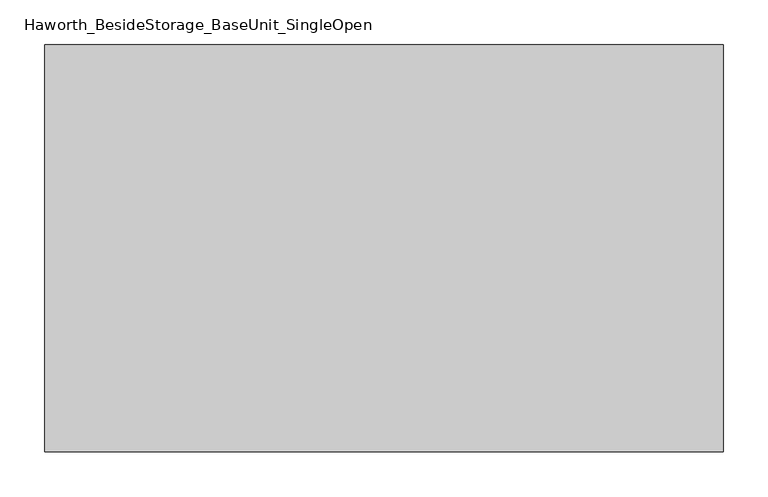
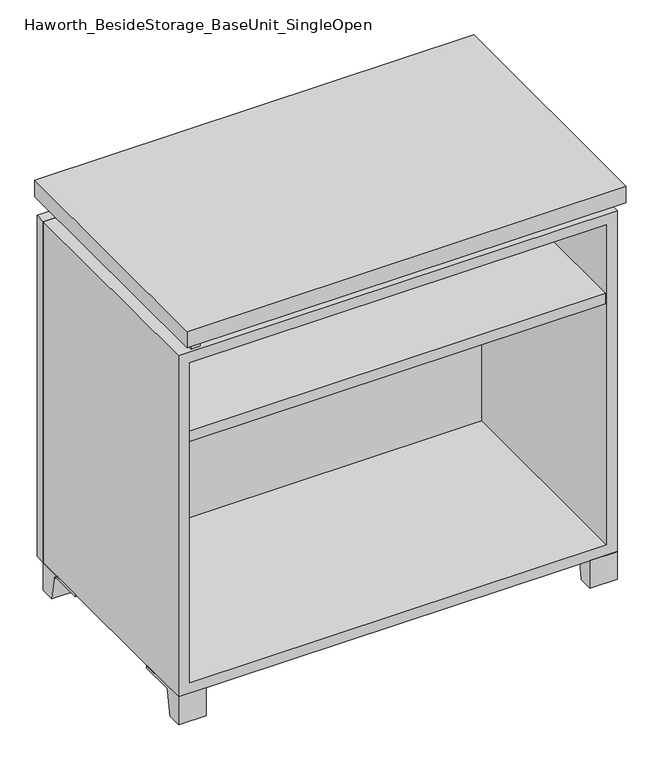
"""IFC4 building model written with IfcOpenShell, lengths in millimetres: furniture geometry, Haworth_BesideStorage_BaseUnit_SingleOpen."""

import ifcopenshell
import ifcopenshell.guid

model = None  # the IFC model being written
_history = None  # IfcOwnerHistory: only IFC2X3 demands one
_inside = {}  # id of a spatial element -> (the spatial element, [elements in it])
_under = {}  # id of a project, library or spatial element -> (it, [spatial elements below it])
_declared = {}  # id of a project -> (the project, [libraries it declares])
_typed = {}  # id of a type object -> (the type object, [elements of that type])
_made_of = {}  # id of a material, layer set ... -> (it, [elements and type objects made of it])


def new_model(schema):
    """Start an empty IFC model of exactly this schema.

    Asked for "IFC4X3", IfcOpenShell would pick the latest addendum, in which some entities
    have other attributes; the version numbers below select the first issue.
    IFC2X3 requires an IfcOwnerHistory on every rooted entity: one is made here for all.
    """
    global model, _history
    if schema == "IFC4X3":
        model = ifcopenshell.file(schema_version=(4, 3, 0, 0))
    else:
        model = ifcopenshell.file(schema=schema)
    _inside.clear()
    _under.clear()
    _declared.clear()
    _typed.clear()
    _made_of.clear()
    _history = None
    if model.schema == "IFC2X3":
        org = make("IfcOrganization", Name="unknown")
        user = make(
            "IfcPersonAndOrganization",
            ThePerson=make("IfcPerson", FamilyName="unknown"),
            TheOrganization=org,
        )
        app = make(
            "IfcApplication",
            ApplicationDeveloper=org,
            Version="unknown",
            ApplicationFullName="unknown",
            ApplicationIdentifier="unknown",
        )
        _history = make(
            "IfcOwnerHistory",
            OwningUser=user,
            OwningApplication=app,
            ChangeAction="ADDED",
            CreationDate=0,
        )
    return model


def make(cls, **values):
    """One entity of the class cls with the attributes given. An attribute that is None is left unset."""
    return model.create_entity(
        cls, **{name: value for name, value in values.items() if value is not None}
    )


def rooted(cls, **values):
    """An entity with a GlobalId (a new one), such as an element, a storey or a relation."""
    return make(cls, GlobalId=ifcopenshell.guid.new(), OwnerHistory=_history, **values)


def si_unit(unit_type, name, prefix=None):
    """IfcSIUnit, for example si_unit("LENGTHUNIT", "METRE", prefix="MILLI")."""
    return make("IfcSIUnit", UnitType=unit_type, Prefix=prefix, Name=name)


def assignment(units):
    """IfcUnitAssignment: the units of a project."""
    return None if units is None else make("IfcUnitAssignment", Units=units)


def point(xyz):
    """IfcCartesianPoint."""
    return None if xyz is None else make("IfcCartesianPoint", Coordinates=xyz)


def direction(xyz):
    """IfcDirection."""
    return None if xyz is None else make("IfcDirection", DirectionRatios=xyz)


def frame(location, z_axis=None, x_axis=None):
    """IfcAxis2Placement3D, a coordinate frame: its origin and axes. An axis left out is left unset."""
    return make(
        "IfcAxis2Placement3D",
        Location=point(location),
        Axis=direction(z_axis),
        RefDirection=direction(x_axis),
    )


def frame_2d(location, x_axis=None):
    """IfcAxis2Placement2D, a coordinate frame in the plane: its origin and x axis."""
    return make(
        "IfcAxis2Placement2D", Location=point(location), RefDirection=direction(x_axis)
    )


def origin():
    """The frame at (0, 0, 0) with its axes left unset."""
    return frame((0.0, 0.0, 0.0))


def place(relative_to, where):
    """IfcLocalPlacement: puts the frame where relative to a parent placement (None: the world)."""
    return make(
        "IfcLocalPlacement", PlacementRelTo=relative_to, RelativePlacement=where
    )


def context(
    kind, dimensions, precision=None, world=None, true_north=None, identifier=None
):
    """IfcGeometricRepresentationContext, for example the 3D "Model" context."""
    return make(
        "IfcGeometricRepresentationContext",
        ContextIdentifier=identifier,
        ContextType=kind,
        CoordinateSpaceDimension=dimensions,
        Precision=precision,
        WorldCoordinateSystem=world,
        TrueNorth=true_north,
    )


def project(units=None, contexts=None):
    """IfcProject with its units and contexts."""
    return rooted(
        "IfcProject",
        Name="project",
        RepresentationContexts=contexts,
        UnitsInContext=assignment(units),
    )


def spatial(cls, under=None, at=None, **own):
    """A site, building, storey or space (cls), placed at a placement, below another one or the project."""
    s = rooted(cls, ObjectPlacement=at, **own)
    if under is not None:
        _under.setdefault(under.id(), (under, []))[1].append(s)
    return s


def polyline(points):
    """IfcPolyline through the points."""
    return make("IfcPolyline", Points=[point(p) for p in points])


def circle_curve(where, radius):
    """IfcCircle in the frame where."""
    return make("IfcCircle", Position=where, Radius=radius)


def trimmed(basis, trim1, trim2, sense, master):
    """IfcTrimmedCurve: the piece of a basis curve between two trims."""
    return make(
        "IfcTrimmedCurve",
        BasisCurve=basis,
        Trim1=trim1,
        Trim2=trim2,
        SenseAgreement=sense,
        MasterRepresentation=master,
    )


def segment(curve, same_sense, transition):
    """IfcCompositeCurveSegment."""
    return make(
        "IfcCompositeCurveSegment",
        Transition=transition,
        SameSense=same_sense,
        ParentCurve=curve,
    )


def composite_curve(segments, self_intersect=None):
    """IfcCompositeCurve: segments joined end to end."""
    return make("IfcCompositeCurve", Segments=segments, SelfIntersect=self_intersect)


def outline(outer, holes=None, kind="AREA"):
    """IfcArbitraryClosedProfileDef: a profile drawn as a closed curve; with holes, ...WithVoids."""
    if holes is None:
        return make("IfcArbitraryClosedProfileDef", ProfileType=kind, OuterCurve=outer)
    return make(
        "IfcArbitraryProfileDefWithVoids",
        ProfileType=kind,
        OuterCurve=outer,
        InnerCurves=holes,
    )


def extrude(swept, where, along, depth):
    """IfcExtrudedAreaSolid: the profile swept, set in the frame where, extruded along a direction by depth."""
    return make(
        "IfcExtrudedAreaSolid",
        SweptArea=swept,
        Position=where,
        ExtrudedDirection=direction(along),
        Depth=depth,
    )


def shape(context_of_items, identifier, shape_type, items):
    """IfcShapeRepresentation: the items that make up one representation, for example the "Body"."""
    return make(
        "IfcShapeRepresentation",
        ContextOfItems=context_of_items,
        RepresentationIdentifier=identifier,
        RepresentationType=shape_type,
        Items=items,
    )


def source(mapping_origin, context_of_items, identifier, shape_type, items):
    """IfcRepresentationMap: a shape defined once, which mapped items show again and again."""
    return make(
        "IfcRepresentationMap",
        MappingOrigin=mapping_origin,
        MappedRepresentation=shape(context_of_items, identifier, shape_type, items),
    )


def transform(
    local_origin,
    x_axis=None,
    y_axis=None,
    z_axis=None,
    scale=None,
    scale2=None,
    scale3=None,
    uniform=True,
):
    """IfcCartesianTransformationOperator3D, or its non-uniform kind. x_axis, y_axis, z_axis: its Axis1, 2, 3."""
    if uniform:
        return make(
            "IfcCartesianTransformationOperator3D",
            Axis1=direction(x_axis),
            Axis2=direction(y_axis),
            LocalOrigin=point(local_origin),
            Scale=scale,
            Axis3=direction(z_axis),
        )
    return make(
        "IfcCartesianTransformationOperator3DnonUniform",
        Axis1=direction(x_axis),
        Axis2=direction(y_axis),
        LocalOrigin=point(local_origin),
        Scale=scale,
        Axis3=direction(z_axis),
        Scale2=scale2,
        Scale3=scale3,
    )


def mapped(mapping_source, mapping_target):
    """IfcMappedItem: shows the shape of a source again, moved by a transform."""
    return make(
        "IfcMappedItem", MappingSource=mapping_source, MappingTarget=mapping_target
    )


def made_of(thing, what):
    """Note that an element or type object is made of a material, layer set ...; save() writes the relation."""
    if what is not None:
        _made_of.setdefault(what.id(), (what, []))[1].append(thing)
    return thing


def element(
    cls,
    number,
    at=None,
    inside=None,
    cuts=None,
    type_object=None,
    material=None,
    context=None,
    identifier="Body",
    shape_type=None,
    held_by="IfcProductDefinitionShape",
    body=None,
    shapes=None,
    **own,
):
    """One element of the class cls, such as IfcWall. Its Tag is "e" and its number.

    at: its placement. inside: the storey or other place that contains it. cuts: it is an
    opening in that element (IfcRelVoidsElement). A single representation is given by context,
    identifier, shape_type and body (its items); several are given by shapes. held_by: the class
    of the entity that holds the representations. save() writes the other relations.
    """
    e = rooted(cls, Tag="e%d" % number, ObjectPlacement=at, **own)
    if body is not None:
        shapes = [shape(context, identifier, shape_type, body)]
    if shapes is not None:
        e.Representation = make(held_by, Representations=shapes)
    if inside is not None:
        _inside.setdefault(inside.id(), (inside, []))[1].append(e)
    if cuts is not None:
        rooted(
            "IfcRelVoidsElement", RelatingBuildingElement=cuts, RelatedOpeningElement=e
        )
    if type_object is not None:
        _typed.setdefault(type_object.id(), (type_object, []))[1].append(e)
    return made_of(e, material)


def aggregate(whole, parts):
    """IfcRelAggregates: a whole, such as a stair, and the parts it consists of."""
    return rooted("IfcRelAggregates", RelatingObject=whole, RelatedObjects=parts)


def save(model, path):
    """Write the relations noted so far, then the file.

    IfcRelAggregates (storeys below a building ...), IfcRelContainedInSpatialStructure (elements
    in a storey), IfcRelDefinesByType, IfcRelAssociatesMaterial and IfcRelDeclares: one each for
    every whole, place, type object, material and project.
    """
    for whole, parts in _under.values():
        aggregate(whole, parts)
    for where, things in _inside.values():
        rooted(
            "IfcRelContainedInSpatialStructure",
            RelatedElements=things,
            RelatingStructure=where,
        )
    for kind, things in _typed.values():
        rooted("IfcRelDefinesByType", RelatedObjects=things, RelatingType=kind)
    for what, things in _made_of.values():
        rooted("IfcRelAssociatesMaterial", RelatedObjects=things, RelatingMaterial=what)
    for by, libraries in _declared.values():
        rooted("IfcRelDeclares", RelatingContext=by, RelatedDefinitions=libraries)
    model.write(path)


def haworth_besidestorage_baseunit_singleopen_c3f8ac9b(model_context):
    return source(origin(), model_context, "Body", "SweptSolid", [
        extrude(outline(polyline([(361.9638906, 222.25), (361.9638906, -136.525), (-361.9361094, -136.525), (-361.9361094, 222.25), (361.9638906, 222.25)])), frame((0.0, 0.0, 510.38125), z_axis=(0.0, 0.0, 1.0), x_axis=(1.0, 0.0, 0.0)), (0.0, 0.0, 1.0), 19.05),
        extrude(outline(polyline([(381.0138906, 292.1), (381.0138906, -165.1), (-380.9861094, -165.1), (-380.9861094, 292.1), (381.0138906, 292.1)])), frame((0.0, 0.0, 706.4375), z_axis=(0.0, 0.0, 1.0), x_axis=(1.0, 0.0, 0.0)), (0.0, 0.0, 1.0), 30.1625),
        extrude(outline(composite_curve([segment(polyline([(-114.3000136, 0.0), (-139.7, 0.0), (-139.7, 50.8), (-44.45, 50.8), (-44.45, 46.0213321), (-101.2505345, 46.0213321)]), True, "CONTINUOUS"), segment(trimmed(circle_curve(frame_2d((-101.2505345, 39.6713321)), 6.35), [point((-101.2505345, 46.0213321))], [point((-107.5141359, 40.7152656))], True, "CARTESIAN"), True, "CONTINUOUS"), segment(polyline([(-107.5141359, 40.7152656), (-114.3000136, 0.0)]), True, "CONTINUOUS")], self_intersect=False)), frame((333.3888906, 0.0, 0.0), z_axis=(1.0, 0.0, 0.0), x_axis=(0.0, 1.0, 0.0)), (0.0, 0.0, 1.0), 47.625),
        extrude(outline(composite_curve([segment(polyline([(241.3000136, 0.0), (234.5141359, 40.7152656)]), True, "CONTINUOUS"), segment(trimmed(circle_curve(frame_2d((228.2505345, 39.6713321)), 6.35), [point((234.5141359, 40.7152656))], [point((228.2505345, 46.0213321))], True, "CARTESIAN"), True, "CONTINUOUS"), segment(polyline([(228.2505345, 46.0213321), (171.45, 46.0213321), (171.45, 50.8), (266.7, 50.8), (266.7, 0.0), (241.3000136, 0.0)]), True, "CONTINUOUS")], self_intersect=False)), frame((333.3888906, 0.0, 0.0), z_axis=(1.0, 0.0, 0.0), x_axis=(0.0, 1.0, 0.0)), (0.0, 0.0, 1.0), 47.625),
        extrude(outline(composite_curve([segment(polyline([(-114.3000136, 0.0), (-139.7, 0.0), (-139.7, 50.8), (-44.45, 50.8), (-44.45, 46.0213321), (-101.2505345, 46.0213321)]), True, "CONTINUOUS"), segment(trimmed(circle_curve(frame_2d((-101.2505345, 39.6713321)), 6.35), [point((-101.2505345, 46.0213321))], [point((-107.5141359, 40.7152656))], True, "CARTESIAN"), True, "CONTINUOUS"), segment(polyline([(-107.5141359, 40.7152656), (-114.3000136, 0.0)]), True, "CONTINUOUS")], self_intersect=False)), frame((-380.9861094, 0.0, 0.0), z_axis=(1.0, 0.0, 0.0), x_axis=(0.0, 1.0, 0.0)), (0.0, 0.0, 1.0), 47.625),
        extrude(outline(composite_curve([segment(polyline([(241.3000136, 0.0), (234.5141359, 40.7152656)]), True, "CONTINUOUS"), segment(trimmed(circle_curve(frame_2d((228.2505345, 39.6713321)), 6.35), [point((234.5141359, 40.7152656))], [point((228.2505345, 46.0213321))], True, "CARTESIAN"), True, "CONTINUOUS"), segment(polyline([(228.2505345, 46.0213321), (171.45, 46.0213321), (171.45, 50.8), (266.7, 50.8), (266.7, 0.0), (241.3000136, 0.0)]), True, "CONTINUOUS")], self_intersect=False)), frame((-380.9861094, 0.0, 0.0), z_axis=(1.0, 0.0, 0.0), x_axis=(0.0, 1.0, 0.0)), (0.0, 0.0, 1.0), 47.625),
        extrude(outline(polyline([(-355.5791641, -133.35), (-355.5791641, 234.95), (-339.7041641, 234.95), (-339.7041641, 73.025), (339.7111094, 73.025), (339.7111094, 247.65), (355.5861094, 247.65), (355.5861094, -120.65), (339.7111094, -120.65), (339.7111094, 53.975), (-339.7041641, 53.975), (-339.7041641, -133.35), (-355.5791641, -133.35)])), frame((0.0, 0.0, 676.275), z_axis=(0.0, 0.0, 1.0), x_axis=(1.0, 0.0, 0.0)), (0.0, 0.0, 1.0), 30.1625),
        extrude(outline(polyline([(381.0138906, 266.7), (-380.9861094, 266.7), (-380.9861094, 285.75), (381.0138906, 285.75), (381.0138906, 266.7)])), frame((0.0, 0.0, 50.8), z_axis=(0.0, 0.0, 1.0), x_axis=(1.0, 0.0, 0.0)), (0.0, 0.0, 1.0), 625.475),
        extrude(outline(polyline([(50.8, -380.9861094), (50.8, 381.0138906), (676.275, 381.0138906), (676.275, -380.9861094), (50.8, -380.9861094)]), holes=[polyline([(69.85, -361.9361094), (657.225, -361.9361094), (657.225, 361.9569453), (69.85, 361.9569453), (69.85, -361.9361094)])]), frame((0.0, -139.7, 0.0), z_axis=(0.0, 1.0, 0.0), x_axis=(0.0, 0.0, 1.0)), (0.0, 0.0, 1.0), 406.4),
        extrude(outline(polyline([(-361.9291641, 234.95), (-361.9291641, 241.3), (361.9569453, 241.3), (361.9569453, 234.95), (-361.9291641, 234.95)])), frame((0.0, 0.0, 69.85), z_axis=(0.0, 0.0, 1.0), x_axis=(1.0, 0.0, 0.0)), (0.0, 0.0, 1.0), 587.375),
    ])


if __name__ == "__main__":
    model = new_model("IFC4")
    model_context = context("Model", 3, world=origin())
    ifc_project = project(units=[si_unit("LENGTHUNIT", "METRE", prefix="MILLI")], contexts=[model_context])
    site = spatial("IfcSite", under=ifc_project)
    building = spatial("IfcBuilding", under=site)
    placement = place(None, origin())
    haworth_besidestorage_baseunit_singleopen_shape = haworth_besidestorage_baseunit_singleopen_c3f8ac9b(model_context)
    element("IfcFurniture", 1, ObjectType="Haworth_BesideStorage_BaseUnit_SingleOpen", at=placement, inside=building, context=model_context, shape_type="MappedRepresentation", body=[
        mapped(haworth_besidestorage_baseunit_singleopen_shape, transform((0.0, 0.0, 0.0), x_axis=(1.0, 0.0, 0.0), y_axis=(0.0, 1.0, 0.0), z_axis=(0.0, 0.0, 1.0))),
    ])
    save(model, "model.ifc")
